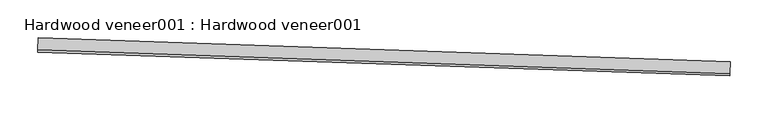
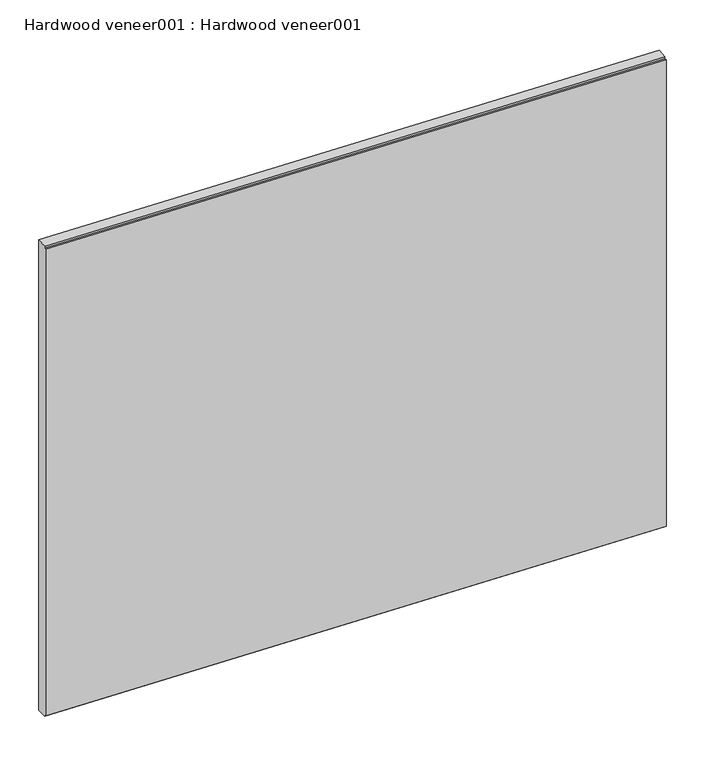
"""IFC4 building model written with IfcOpenShell, lengths in millimetres: proxy geometry, Hardwood veneer001 : Hardwood veneer001."""

from ifc_helpers import new_model, si_unit, frame, origin, place, context, project, spatial, polyline, outline, extrude, source, transform, mapped, element, save


def hardwood_veneer001_hardwood_veneer001_332736d2(model_context):
    return source(origin(), model_context, "Body", "SweptSolid", [
        extrude(outline(polyline([(-741.1397558, 0.0), (5.9789113, 0.0), (5.9789113, -15.8892526), (2.8039113, -15.8892526), (2.8039113, -19.0642526), (-737.9647558, -19.0642526), (-737.9647558, -15.8892526), (-741.1397558, -15.8892526), (-741.1397558, 0.0)])), frame((34343.5596033, -15792.3689122, 1063.1475744), z_axis=(-0.9994149478931372, 0.034201782523104705, 0.0), x_axis=(0.0, 0.0, 1.0)), (0.0, 0.0, 1.0), 914.4),
    ])


if __name__ == "__main__":
    model = new_model("IFC4")
    model_context = context("Model", 3, world=origin())
    ifc_project = project(units=[si_unit("LENGTHUNIT", "METRE", prefix="MILLI")], contexts=[model_context])
    site = spatial("IfcSite", under=ifc_project)
    building = spatial("IfcBuilding", under=site)
    placement = place(None, origin())
    hardwood_veneer001_hardwood_veneer001_shape = hardwood_veneer001_hardwood_veneer001_332736d2(model_context)
    element("IfcBuildingElementProxy", 1, Name="Hardwood veneer001 : Hardwood veneer001", ObjectType="Hardwood veneer001 : Hardwood veneer001", at=placement, inside=building, context=model_context, shape_type="MappedRepresentation", body=[
        mapped(hardwood_veneer001_hardwood_veneer001_shape, transform((0.0, 0.0, 0.0), x_axis=(1.0, 0.0, 0.0), y_axis=(0.0, 1.0, 0.0), z_axis=(0.0, 0.0, 1.0))),
    ])
    save(model, "model.ifc")
